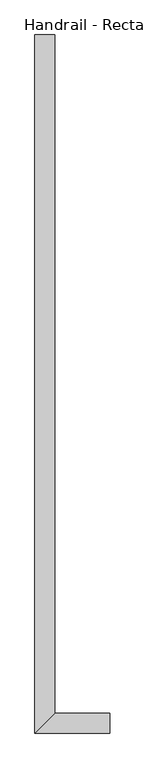
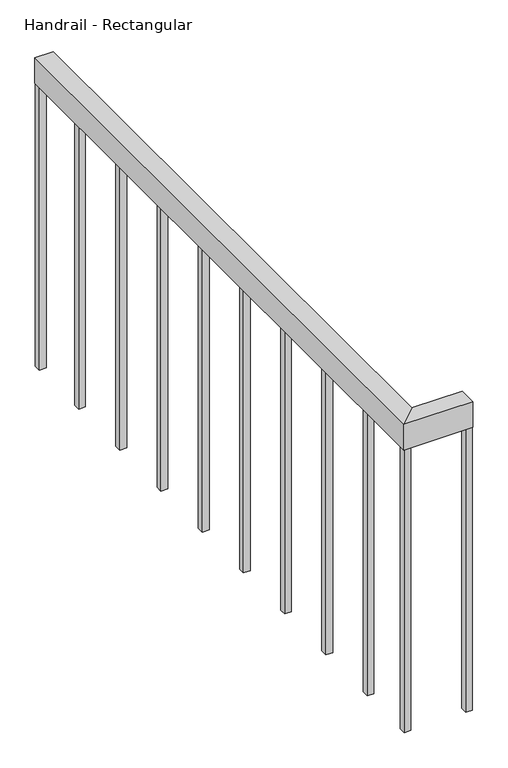
"""IFC4 building model written with IfcOpenShell, lengths in millimetres: railing geometry, Handrail - Rectangular."""

from ifc_helpers import new_model, si_unit, frame, origin, place, context, project, spatial, polyline, outline, extrude, faceted_brep, source, transform, mapped, element, save


def handrail_rectangular_ca76c790(model_context):
    return source(origin(), model_context, "Body", "SolidModel", [
        faceted_brep([(2582.0034014, 3422.4830185, 1064.4), (2582.0034014, 3422.4830185, 988.2), (2531.2034014, 3422.4830185, 988.2), (2531.2034014, 3422.4830185, 1064.4), (2531.2034014, 1631.8058469, 1064.4), (2582.0034014, 1682.6058469, 1064.4), (2531.2034014, 1631.8058469, 988.2), (2582.0034014, 1682.6058469, 988.2), (2723.7534014, 1682.6058469, 1064.4), (2723.7534014, 1631.8058469, 1064.4), (2723.7534014, 1631.8058469, 988.2), (2723.7534014, 1682.6058469, 988.2)], [[[0, 1, 2, 3]], [[0, 3, 4, 5]], [[3, 2, 6, 4]], [[2, 1, 7, 6]], [[1, 0, 5, 7]], [[8, 9, 10, 11]], [[7, 5, 8, 11]], [[6, 7, 11, 10]], [[4, 6, 10, 9]], [[5, 4, 9, 8]]]),
        extrude(outline(polyline([(2551.5284014, 1832.0080185), (2551.5284014, 1812.9580185), (2532.4784014, 1812.9580185), (2532.4784014, 1832.0080185), (2551.5284014, 1832.0080185)])), frame((0.0, 0.0, 150.0), z_axis=(0.0, 0.0, 1.0), x_axis=(1.0, 0.0, 0.0)), (0.0, 0.0, 1.0), 838.2),
        extrude(outline(polyline([(2551.5284014, 2032.0080185), (2551.5284014, 2012.9580185), (2532.4784014, 2012.9580185), (2532.4784014, 2032.0080185), (2551.5284014, 2032.0080185)])), frame((0.0, 0.0, 150.0), z_axis=(0.0, 0.0, 1.0), x_axis=(1.0, 0.0, 0.0)), (0.0, 0.0, 1.0), 838.2),
        extrude(outline(polyline([(2551.5284014, 2232.0080185), (2551.5284014, 2212.9580185), (2532.4784014, 2212.9580185), (2532.4784014, 2232.0080185), (2551.5284014, 2232.0080185)])), frame((0.0, 0.0, 150.0), z_axis=(0.0, 0.0, 1.0), x_axis=(1.0, 0.0, 0.0)), (0.0, 0.0, 1.0), 838.2),
        extrude(outline(polyline([(2551.5284014, 2432.0080185), (2551.5284014, 2412.9580185), (2532.4784014, 2412.9580185), (2532.4784014, 2432.0080185), (2551.5284014, 2432.0080185)])), frame((0.0, 0.0, 150.0), z_axis=(0.0, 0.0, 1.0), x_axis=(1.0, 0.0, 0.0)), (0.0, 0.0, 1.0), 838.2),
        extrude(outline(polyline([(2551.5284014, 2632.0080185), (2551.5284014, 2612.9580185), (2532.4784014, 2612.9580185), (2532.4784014, 2632.0080185), (2551.5284014, 2632.0080185)])), frame((0.0, 0.0, 150.0), z_axis=(0.0, 0.0, 1.0), x_axis=(1.0, 0.0, 0.0)), (0.0, 0.0, 1.0), 838.2),
        extrude(outline(polyline([(2551.5284014, 2832.0080185), (2551.5284014, 2812.9580185), (2532.4784014, 2812.9580185), (2532.4784014, 2832.0080185), (2551.5284014, 2832.0080185)])), frame((0.0, 0.0, 150.0), z_axis=(0.0, 0.0, 1.0), x_axis=(1.0, 0.0, 0.0)), (0.0, 0.0, 1.0), 838.2),
        extrude(outline(polyline([(2551.5284014, 3032.0080185), (2551.5284014, 3012.9580185), (2532.4784014, 3012.9580185), (2532.4784014, 3032.0080185), (2551.5284014, 3032.0080185)])), frame((0.0, 0.0, 150.0), z_axis=(0.0, 0.0, 1.0), x_axis=(1.0, 0.0, 0.0)), (0.0, 0.0, 1.0), 838.2),
        extrude(outline(polyline([(2551.5284014, 3232.0080185), (2551.5284014, 3212.9580185), (2532.4784014, 3212.9580185), (2532.4784014, 3232.0080185), (2551.5284014, 3232.0080185)])), frame((0.0, 0.0, 150.0), z_axis=(0.0, 0.0, 1.0), x_axis=(1.0, 0.0, 0.0)), (0.0, 0.0, 1.0), 838.2),
        extrude(outline(polyline([(2551.5284014, 1652.1308469), (2551.5284014, 1633.0808469), (2532.4784014, 1633.0808469), (2532.4784014, 1652.1308469), (2551.5284014, 1652.1308469)])), frame((0.0, 0.0, 150.0), z_axis=(0.0, 0.0, 1.0), x_axis=(1.0, 0.0, 0.0)), (0.0, 0.0, 1.0), 838.2),
        extrude(outline(polyline([(2704.7284014, 1652.1308469), (2723.7784014, 1652.1308469), (2723.7784014, 1633.0808469), (2704.7284014, 1633.0808469), (2704.7284014, 1652.1308469)])), frame((0.0, 0.0, 150.0), z_axis=(0.0, 0.0, 1.0), x_axis=(1.0, 0.0, 0.0)), (0.0, 0.0, 1.0), 838.2),
        extrude(outline(polyline([(2551.5284014, 3422.5080185), (2551.5284014, 3403.4580185), (2532.4784014, 3403.4580185), (2532.4784014, 3422.5080185), (2551.5284014, 3422.5080185)])), frame((0.0, 0.0, 150.0), z_axis=(0.0, 0.0, 1.0), x_axis=(1.0, 0.0, 0.0)), (0.0, 0.0, 1.0), 838.2),
    ])


if __name__ == "__main__":
    model = new_model("IFC4")
    model_context = context("Model", 3, world=origin())
    ifc_project = project(units=[si_unit("LENGTHUNIT", "METRE", prefix="MILLI")], contexts=[model_context])
    site = spatial("IfcSite", under=ifc_project)
    building = spatial("IfcBuilding", under=site)
    placement = place(None, origin())
    handrail_rectangular_shape = handrail_rectangular_ca76c790(model_context)
    element("IfcRailing", 1, ObjectType="Handrail - Rectangular", at=placement, inside=building, context=model_context, shape_type="MappedRepresentation", body=[
        mapped(handrail_rectangular_shape, transform((0.0, 0.0, 0.0), x_axis=(1.0, 0.0, 0.0), y_axis=(0.0, 1.0, 0.0), z_axis=(0.0, 0.0, 1.0))),
    ])
    save(model, "model.ifc")
